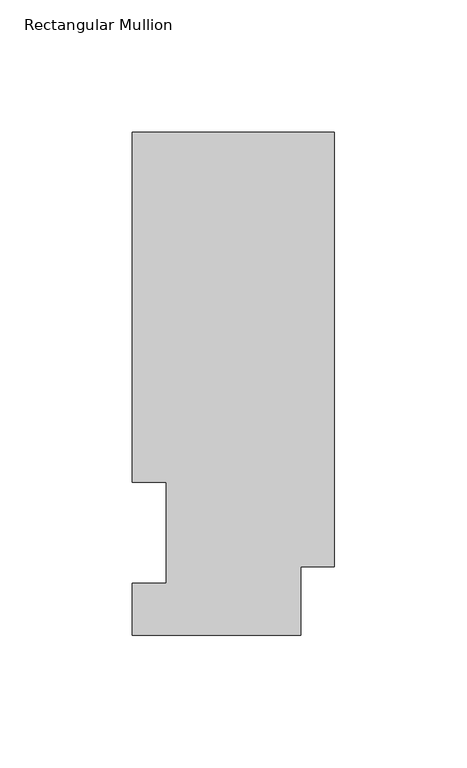
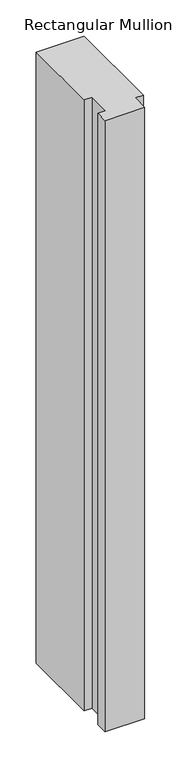
"""IFC4 building model written with IfcOpenShell, lengths in millimetres: member geometry, Rectangular Mullion."""

import ifcopenshell
import ifcopenshell.guid

model = None  # the IFC model being written
_history = None  # IfcOwnerHistory: only IFC2X3 demands one
_inside = {}  # id of a spatial element -> (the spatial element, [elements in it])
_under = {}  # id of a project, library or spatial element -> (it, [spatial elements below it])
_declared = {}  # id of a project -> (the project, [libraries it declares])
_typed = {}  # id of a type object -> (the type object, [elements of that type])
_made_of = {}  # id of a material, layer set ... -> (it, [elements and type objects made of it])


def new_model(schema):
    """Start an empty IFC model of exactly this schema.

    Asked for "IFC4X3", IfcOpenShell would pick the latest addendum, in which some entities
    have other attributes; the version numbers below select the first issue.
    IFC2X3 requires an IfcOwnerHistory on every rooted entity: one is made here for all.
    """
    global model, _history
    if schema == "IFC4X3":
        model = ifcopenshell.file(schema_version=(4, 3, 0, 0))
    else:
        model = ifcopenshell.file(schema=schema)
    _inside.clear()
    _under.clear()
    _declared.clear()
    _typed.clear()
    _made_of.clear()
    _history = None
    if model.schema == "IFC2X3":
        org = make("IfcOrganization", Name="unknown")
        user = make(
            "IfcPersonAndOrganization",
            ThePerson=make("IfcPerson", FamilyName="unknown"),
            TheOrganization=org,
        )
        app = make(
            "IfcApplication",
            ApplicationDeveloper=org,
            Version="unknown",
            ApplicationFullName="unknown",
            ApplicationIdentifier="unknown",
        )
        _history = make(
            "IfcOwnerHistory",
            OwningUser=user,
            OwningApplication=app,
            ChangeAction="ADDED",
            CreationDate=0,
        )
    return model


def make(cls, **values):
    """One entity of the class cls with the attributes given. An attribute that is None is left unset."""
    return model.create_entity(
        cls, **{name: value for name, value in values.items() if value is not None}
    )


def rooted(cls, **values):
    """An entity with a GlobalId (a new one), such as an element, a storey or a relation."""
    return make(cls, GlobalId=ifcopenshell.guid.new(), OwnerHistory=_history, **values)


def si_unit(unit_type, name, prefix=None):
    """IfcSIUnit, for example si_unit("LENGTHUNIT", "METRE", prefix="MILLI")."""
    return make("IfcSIUnit", UnitType=unit_type, Prefix=prefix, Name=name)


def assignment(units):
    """IfcUnitAssignment: the units of a project."""
    return None if units is None else make("IfcUnitAssignment", Units=units)


def point(xyz):
    """IfcCartesianPoint."""
    return None if xyz is None else make("IfcCartesianPoint", Coordinates=xyz)


def direction(xyz):
    """IfcDirection."""
    return None if xyz is None else make("IfcDirection", DirectionRatios=xyz)


def frame(location, z_axis=None, x_axis=None):
    """IfcAxis2Placement3D, a coordinate frame: its origin and axes. An axis left out is left unset."""
    return make(
        "IfcAxis2Placement3D",
        Location=point(location),
        Axis=direction(z_axis),
        RefDirection=direction(x_axis),
    )


def origin():
    """The frame at (0, 0, 0) with its axes left unset."""
    return frame((0.0, 0.0, 0.0))


def place(relative_to, where):
    """IfcLocalPlacement: puts the frame where relative to a parent placement (None: the world)."""
    return make(
        "IfcLocalPlacement", PlacementRelTo=relative_to, RelativePlacement=where
    )


def context(
    kind, dimensions, precision=None, world=None, true_north=None, identifier=None
):
    """IfcGeometricRepresentationContext, for example the 3D "Model" context."""
    return make(
        "IfcGeometricRepresentationContext",
        ContextIdentifier=identifier,
        ContextType=kind,
        CoordinateSpaceDimension=dimensions,
        Precision=precision,
        WorldCoordinateSystem=world,
        TrueNorth=true_north,
    )


def project(units=None, contexts=None):
    """IfcProject with its units and contexts."""
    return rooted(
        "IfcProject",
        Name="project",
        RepresentationContexts=contexts,
        UnitsInContext=assignment(units),
    )


def spatial(cls, under=None, at=None, **own):
    """A site, building, storey or space (cls), placed at a placement, below another one or the project."""
    s = rooted(cls, ObjectPlacement=at, **own)
    if under is not None:
        _under.setdefault(under.id(), (under, []))[1].append(s)
    return s


def polyline(points):
    """IfcPolyline through the points."""
    return make("IfcPolyline", Points=[point(p) for p in points])


def outline(outer, holes=None, kind="AREA"):
    """IfcArbitraryClosedProfileDef: a profile drawn as a closed curve; with holes, ...WithVoids."""
    if holes is None:
        return make("IfcArbitraryClosedProfileDef", ProfileType=kind, OuterCurve=outer)
    return make(
        "IfcArbitraryProfileDefWithVoids",
        ProfileType=kind,
        OuterCurve=outer,
        InnerCurves=holes,
    )


def extrude(swept, where, along, depth):
    """IfcExtrudedAreaSolid: the profile swept, set in the frame where, extruded along a direction by depth."""
    return make(
        "IfcExtrudedAreaSolid",
        SweptArea=swept,
        Position=where,
        ExtrudedDirection=direction(along),
        Depth=depth,
    )


def shape(context_of_items, identifier, shape_type, items):
    """IfcShapeRepresentation: the items that make up one representation, for example the "Body"."""
    return make(
        "IfcShapeRepresentation",
        ContextOfItems=context_of_items,
        RepresentationIdentifier=identifier,
        RepresentationType=shape_type,
        Items=items,
    )


def source(mapping_origin, context_of_items, identifier, shape_type, items):
    """IfcRepresentationMap: a shape defined once, which mapped items show again and again."""
    return make(
        "IfcRepresentationMap",
        MappingOrigin=mapping_origin,
        MappedRepresentation=shape(context_of_items, identifier, shape_type, items),
    )


def transform(
    local_origin,
    x_axis=None,
    y_axis=None,
    z_axis=None,
    scale=None,
    scale2=None,
    scale3=None,
    uniform=True,
):
    """IfcCartesianTransformationOperator3D, or its non-uniform kind. x_axis, y_axis, z_axis: its Axis1, 2, 3."""
    if uniform:
        return make(
            "IfcCartesianTransformationOperator3D",
            Axis1=direction(x_axis),
            Axis2=direction(y_axis),
            LocalOrigin=point(local_origin),
            Scale=scale,
            Axis3=direction(z_axis),
        )
    return make(
        "IfcCartesianTransformationOperator3DnonUniform",
        Axis1=direction(x_axis),
        Axis2=direction(y_axis),
        LocalOrigin=point(local_origin),
        Scale=scale,
        Axis3=direction(z_axis),
        Scale2=scale2,
        Scale3=scale3,
    )


def mapped(mapping_source, mapping_target):
    """IfcMappedItem: shows the shape of a source again, moved by a transform."""
    return make(
        "IfcMappedItem", MappingSource=mapping_source, MappingTarget=mapping_target
    )


def made_of(thing, what):
    """Note that an element or type object is made of a material, layer set ...; save() writes the relation."""
    if what is not None:
        _made_of.setdefault(what.id(), (what, []))[1].append(thing)
    return thing


def element(
    cls,
    number,
    at=None,
    inside=None,
    cuts=None,
    type_object=None,
    material=None,
    context=None,
    identifier="Body",
    shape_type=None,
    held_by="IfcProductDefinitionShape",
    body=None,
    shapes=None,
    **own,
):
    """One element of the class cls, such as IfcWall. Its Tag is "e" and its number.

    at: its placement. inside: the storey or other place that contains it. cuts: it is an
    opening in that element (IfcRelVoidsElement). A single representation is given by context,
    identifier, shape_type and body (its items); several are given by shapes. held_by: the class
    of the entity that holds the representations. save() writes the other relations.
    """
    e = rooted(cls, Tag="e%d" % number, ObjectPlacement=at, **own)
    if body is not None:
        shapes = [shape(context, identifier, shape_type, body)]
    if shapes is not None:
        e.Representation = make(held_by, Representations=shapes)
    if inside is not None:
        _inside.setdefault(inside.id(), (inside, []))[1].append(e)
    if cuts is not None:
        rooted(
            "IfcRelVoidsElement", RelatingBuildingElement=cuts, RelatedOpeningElement=e
        )
    if type_object is not None:
        _typed.setdefault(type_object.id(), (type_object, []))[1].append(e)
    return made_of(e, material)


def aggregate(whole, parts):
    """IfcRelAggregates: a whole, such as a stair, and the parts it consists of."""
    return rooted("IfcRelAggregates", RelatingObject=whole, RelatedObjects=parts)


def save(model, path):
    """Write the relations noted so far, then the file.

    IfcRelAggregates (storeys below a building ...), IfcRelContainedInSpatialStructure (elements
    in a storey), IfcRelDefinesByType, IfcRelAssociatesMaterial and IfcRelDeclares: one each for
    every whole, place, type object, material and project.
    """
    for whole, parts in _under.values():
        aggregate(whole, parts)
    for where, things in _inside.values():
        rooted(
            "IfcRelContainedInSpatialStructure",
            RelatedElements=things,
            RelatingStructure=where,
        )
    for kind, things in _typed.values():
        rooted("IfcRelDefinesByType", RelatedObjects=things, RelatingType=kind)
    for what, things in _made_of.values():
        rooted("IfcRelAssociatesMaterial", RelatedObjects=things, RelatingMaterial=what)
    for by, libraries in _declared.values():
        rooted("IfcRelDeclares", RelatingContext=by, RelatedDefinitions=libraries)
    model.write(path)


def rectangular_mullion_5ab8c07d(model_context):
    return source(origin(), model_context, "Body", "SweptSolid", [
        extrude(outline(polyline([(0.0, 189.8022938), (0.0, 25.8955957), (-12.7, 25.8955957), (-12.7, 0.0134938), (-76.2, 0.0134938), (-76.2, 19.5460938), (-63.5, 19.5460938), (-63.5, 57.6460937), (-76.2, 57.6460937), (-76.2, 189.8022938), (0.0, 189.8022938)])), frame((0.0, 0.0, -1028.7), z_axis=(0.0, 0.0, 1.0), x_axis=(1.0, 0.0, 0.0)), (0.0, 0.0, 1.0), 1028.7),
    ])


if __name__ == "__main__":
    model = new_model("IFC4")
    model_context = context("Model", 3, world=origin())
    ifc_project = project(units=[si_unit("LENGTHUNIT", "METRE", prefix="MILLI")], contexts=[model_context])
    site = spatial("IfcSite", under=ifc_project)
    building = spatial("IfcBuilding", under=site)
    placement = place(None, origin())
    rectangular_mullion_shape = rectangular_mullion_5ab8c07d(model_context)
    element("IfcMember", 1, ObjectType="Rectangular Mullion", at=placement, inside=building, context=model_context, shape_type="MappedRepresentation", body=[
        mapped(rectangular_mullion_shape, transform((0.0, 0.0, 0.0), x_axis=(1.0, 0.0, 0.0), y_axis=(0.0, 1.0, 0.0), z_axis=(0.0, 0.0, 1.0))),
    ])
    save(model, "model.ifc")
